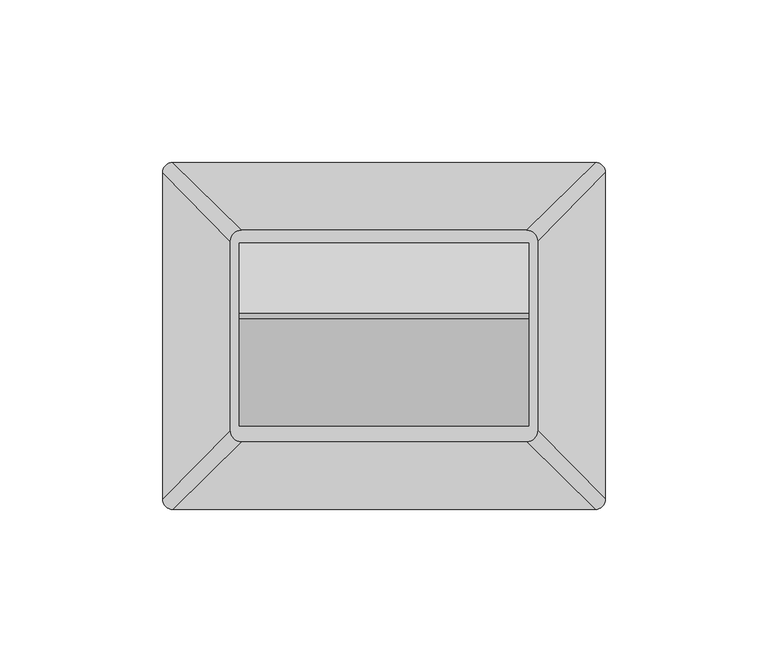
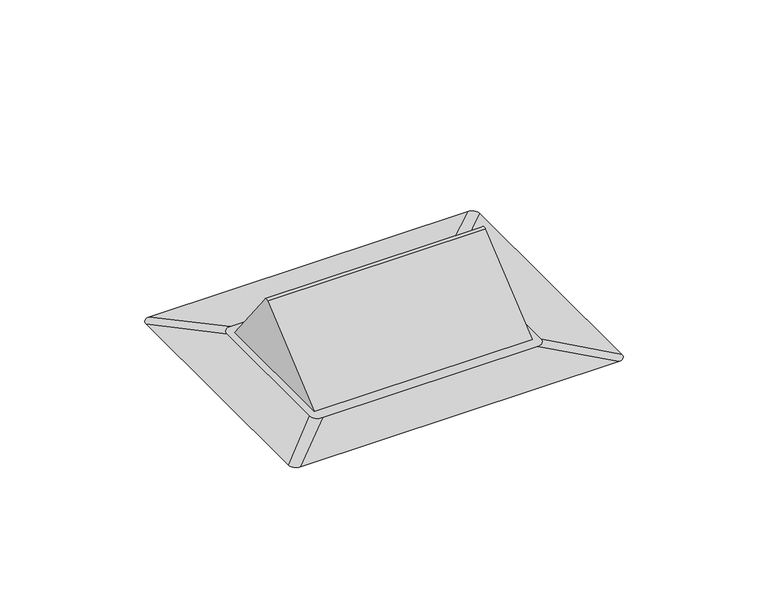
"""IFC4 building model written with IfcOpenShell, lengths in millimetres: furniture geometry."""

from ifc_helpers import new_model, si_unit, point, frame, frame_2d, origin, place, context, project, spatial, polyline, circle_curve, trimmed, segment, composite_curve, outline, extrude, source, transform, mapped, element, save
from ifc_brep_helpers import plane_surface, spline_surface, advanced_brep


def furniture_d880b9d2(model_context):
    return source(origin(), model_context, "Body", "SolidModel", [
        extrude(outline(composite_curve([segment(polyline([(-40.0510999, 767.5089905), (-18.5733088, 740.0186716), (-74.8670241, 740.0186716), (-41.8766817, 767.7008667)]), True, "CONTINUOUS"), segment(trimmed(circle_curve(frame_2d((-41.0565371, 766.7234569)), 1.2759182), [point((-41.8766817, 767.7008667))], [point((-40.0510999, 767.5089905))], False, "CARTESIAN"), True, "CONTINUOUS")], self_intersect=False)), frame((-44.4469554, 0.0, 0.0), z_axis=(1.0, 0.0, 0.0), x_axis=(0.0, 1.0, 0.0)), (0.0, 0.0, 1.0), 88.8939109),
        advanced_brep(
        [(43.8120098, -14.6219602, 740.0186716), (-43.8120263, -14.6219602, 740.0186716), (-47.2407847, -18.0507186, 740.0186716), (-47.2407847, -76.2351171, 740.0186716), (-43.8120235, -79.6638783, 740.0186716), (43.8120041, -79.6638783, 740.0186716), (47.2406984, -76.235184, 740.0186716), (47.2406984, -18.0506488, 740.0186716), (64.9306789, 6.2496242, 738.8098), (68.1122805, 3.0680226, 738.8098), (68.1122805, -97.3538588, 738.8098), (64.9306789, -100.5354604, 738.8098), (-64.9306789, -100.5354604, 738.8098), (-68.1122805, -97.3538588, 738.8098), (-68.1122805, 3.0680226, 738.8098), (-64.9306789, 6.2496242, 738.8098)],
        [
            (0, 1),
            (1, 2, circle_curve(frame((-43.8120263, -18.0507186, 740.0186716), z_axis=(0.0, 0.0, 1.0), x_axis=(-1.0, 0.0, 0.0)), 3.4287584)),
            (2, 3),
            (3, 4, circle_curve(frame((-43.8120235, -76.2351171, 740.0186716), z_axis=(0.0, 0.0, 1.0), x_axis=(-1.0, 0.0, 0.0)), 3.4287612)),
            (4, 5),
            (5, 6, circle_curve(frame((43.8120041, -76.235184, 740.0186716), z_axis=(0.0, 0.0, 1.0), x_axis=(-1.0, 0.0, 0.0)), 3.4286943)),
            (6, 7),
            (7, 0, circle_curve(frame((43.8120098, -18.0506488, 740.0186716), z_axis=(0.0, 0.0, 1.0), x_axis=(-1.0, 0.0, 0.0)), 3.4286886)),
            (8, 9, circle_curve(frame((64.9306789, 3.0680226, 738.8098), z_axis=(0.0, 0.0, -1.0), x_axis=(-1.0, 0.0, 0.0)), 3.1816016)),
            (9, 10),
            (10, 11, circle_curve(frame((64.9306789, -97.3538588, 738.8098), z_axis=(0.0, 0.0, -1.0), x_axis=(-1.0, 0.0, 0.0)), 3.1816016)),
            (11, 12),
            (12, 13, circle_curve(frame((-64.9306789, -97.3538588, 738.8098), z_axis=(0.0, 0.0, -1.0), x_axis=(-1.0, 0.0, 0.0)), 3.1816016)),
            (13, 14),
            (14, 15, circle_curve(frame((-64.9306789, 3.0680226, 738.8098), z_axis=(0.0, 0.0, -1.0), x_axis=(-1.0, 0.0, 0.0)), 3.1816016)),
            (15, 8),
            (15, 1),
            (0, 8),
            (14, 2),
            (13, 3),
            (12, 4),
            (11, 5),
            (10, 6),
            (9, 7),
        ],
        [
            plane_surface(frame((-2.61e-05, -47.1429182, 740.0186716), z_axis=(0.0, 0.0, 1.0), x_axis=(-1.0, 0.0, 0.0))),
            plane_surface(frame((0.0, -47.1429181, 738.8098), z_axis=(0.0, 0.0, -1.0), x_axis=(-1.0, 0.0, 0.0))),
            plane_surface(frame((0.0, 6.2496242, 738.8098), z_axis=(0.0, 0.05782258481749293, 0.9983268746683243), x_axis=(-1.0, 0.0, 0.0))),
            spline_surface(2, 1, [[(-64.9306789, 6.2496242, 738.8098), (-43.8120263, -14.6219602, 740.0186716)], [(-68.1122805, 6.2496242, 738.8098), (-47.2407847, -14.6219602, 740.0186716)], [(-68.1122805, 3.0680226, 738.8098), (-47.2407847, -18.0507186, 740.0186716)]], [3, 3], [2, 2], [0.0, 1.0], [0.0, 1.0], weights=[[1.0, 1.0], [0.7071067811865476, 0.7071067811865476], [1.0, 1.0]]),
            plane_surface(frame((-68.1122805, -47.1429181, 738.8098), z_axis=(-0.05782282936270362, 0.0, 0.9983268605043599), x_axis=(0.0, -1.0, 0.0))),
            spline_surface(2, 1, [[(-68.1122805, -97.3538588, 738.8098), (-47.2407847, -76.2351171, 740.0186716)], [(-68.1122805, -100.53546039999999, 738.8098), (-47.2407847, -79.6638783, 740.0186716)], [(-64.9306789, -100.5354604, 738.8098), (-43.8120235, -79.6638783, 740.0186716)]], [3, 3], [2, 2], [0.0, 1.0], [0.0, 1.0], weights=[[1.0, 1.0], [0.7071067811865476, 0.7071067811865476], [1.0, 1.0]]),
            plane_surface(frame((0.0, -100.5354604, 738.8098), z_axis=(0.0, -0.05782259108785695, 0.9983268743051479), x_axis=(1.0, 0.0, 0.0))),
            spline_surface(2, 1, [[(64.9306789, -100.5354604, 738.8098), (43.8120041, -79.6638783, 740.0186716)], [(68.11228050000001, -100.5354604, 738.8098), (47.24069839999999, -79.6638783, 740.0186716)], [(68.1122805, -97.3538588, 738.8098), (47.2406984, -76.235184, 740.0186716)]], [3, 3], [2, 2], [0.0, 1.0], [0.0, 1.0], weights=[[1.0, 1.0], [0.7071067811865482, 0.7071067811865482], [1.0, 1.0]]),
            plane_surface(frame((68.1122805, -47.1429181, 738.8098), z_axis=(0.057822591087864215, 0.0, 0.9983268743051474), x_axis=(0.0, 1.0, 0.0))),
            spline_surface(2, 1, [[(68.1122805, 3.0680226, 738.8098), (47.2406984, -18.0506488, 740.0186716)], [(68.1122805, 6.249624199999993, 738.8098), (47.2406984, -14.6219602, 740.0186716)], [(64.9306789, 6.2496242, 738.8098), (43.8120098, -14.6219602, 740.0186716)]], [3, 3], [2, 2], [0.0, 1.0], [0.0, 1.0], weights=[[1.0, 1.0], [0.7071067811865476, 0.7071067811865476], [1.0, 1.0]]),
        ],
        [
            (0, [[1, 2, 3, 4, 5, 6, 7, 8]]),
            (1, [[9, 10, 11, 12, 13, 14, 15, 16]]),
            (2, [[-16, 17, -1, 18]]),
            (3, [[-15, 19, -2, -17]]),
            (4, [[-14, 20, -3, -19]]),
            (5, [[-13, 21, -4, -20]]),
            (6, [[-12, 22, -5, -21]]),
            (7, [[-11, 23, -6, -22]]),
            (8, [[-10, 24, -7, -23]]),
            (9, [[-9, -18, -8, -24]]),
        ],
    ),
    ])


if __name__ == "__main__":
    model = new_model("IFC4")
    model_context = context("Model", 3, world=origin())
    ifc_project = project(units=[si_unit("LENGTHUNIT", "METRE", prefix="MILLI")], contexts=[model_context])
    site = spatial("IfcSite", under=ifc_project)
    building = spatial("IfcBuilding", under=site)
    placement = place(None, origin())
    furniture_shape = furniture_d880b9d2(model_context)
    element("IfcFurniture", 1, at=placement, inside=building, context=model_context, shape_type="MappedRepresentation", body=[
        mapped(furniture_shape, transform((0.0, 0.0, 0.0), x_axis=(1.0, 0.0, 0.0), y_axis=(0.0, 1.0, 0.0), z_axis=(0.0, 0.0, 1.0))),
    ])
    save(model, "model.ifc")
